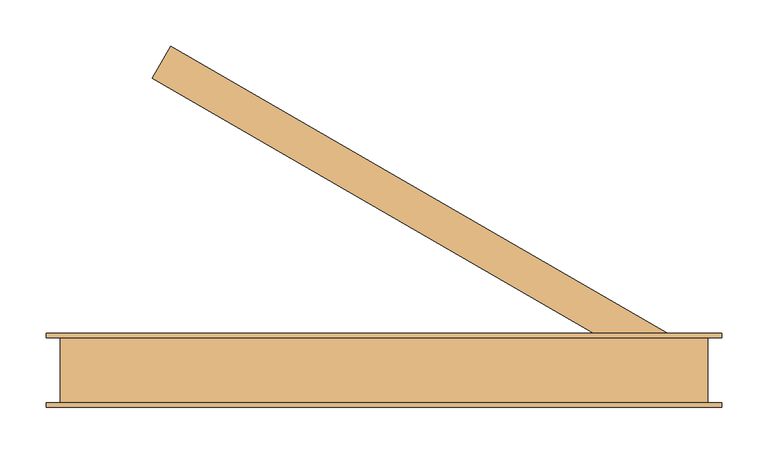
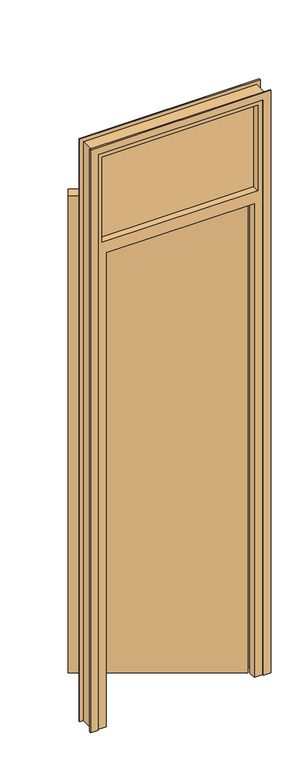
"""IFC4 building model written with IfcOpenShell, lengths in millimetres: door geometry."""

from ifc_helpers import new_model, si_unit, frame, origin, origin_with_axes, place, context, project, spatial, polyline, outline, extrude, faceted_brep, source, transform, mapped, element, save


def door_d862de31(model_context):
    return source(origin(), model_context, "Body", "SolidModel", [
        extrude(outline(polyline([(-285.5960044, 315.3589838), (-265.5960044, 350.0), (280.0, 35.0), (260.0, 0.3589838), (-285.5960044, 315.3589838)])), origin_with_axes(), (0.0, 0.0, 1.0), 2040.0),
        extrude(outline(polyline([(0.0, -370.0), (2460.0, -370.0), (2460.0, 300.0), (0.0, 300.0), (0.0, 330.0), (2490.0, 330.0), (2490.0, -400.0), (0.0, -400.0), (0.0, -370.0)])), frame((0.0, 35.0, 0.0), z_axis=(0.0, 1.0, 0.0), x_axis=(0.0, 0.0, 1.0)), (0.0, 0.0, 1.0), 5.0),
        extrude(outline(polyline([(0.0, -370.0), (2460.0, -370.0), (2460.0, 300.0), (0.0, 300.0), (0.0, 330.0), (2490.0, 330.0), (2490.0, -400.0), (0.0, -400.0), (0.0, -370.0)])), frame((0.0, -40.0, 0.0), z_axis=(0.0, 1.0, 0.0), x_axis=(0.0, 0.0, 1.0)), (0.0, 0.0, 1.0), 5.0),
        extrude(outline(polyline([(280.0, 6.0), (280.0, -6.0), (-350.0, -6.0), (-350.0, 6.0), (280.0, 6.0)])), frame((0.0, 0.0, 2075.0), z_axis=(0.0, 0.0, 1.0), x_axis=(1.0, 0.0, 0.0)), (0.0, 0.0, 1.0), 365.0),
        faceted_brep([(-385.0, 35.0, 0.0), (-350.0, 35.0, 0.0), (-350.0, -5.0, 0.0), (-335.0, -5.0, 0.0), (-335.0, -35.0, 0.0), (-385.0, -35.0, 0.0), (-385.0, -35.0, 2475.0), (-385.0, 35.0, 2475.0), (-335.0, -35.0, 2025.0), (265.0, -35.0, 2025.0), (265.0, -35.0, 0.0), (315.0, -35.0, 0.0), (315.0, -35.0, 2475.0), (-350.0, -35.0, 2075.0), (-350.0, -35.0, 2440.0), (280.0, -35.0, 2440.0), (280.0, -35.0, 2075.0), (-335.0, -5.0, 2025.0), (-350.0, -5.0, 2040.0), (280.0, -5.0, 2040.0), (280.0, -5.0, 0.0), (265.0, -5.0, 0.0), (265.0, -5.0, 2025.0), (-350.0, 35.0, 2040.0), (315.0, 35.0, 2475.0), (315.0, 35.0, 0.0), (280.0, 35.0, 0.0), (280.0, 35.0, 2040.0), (280.0, 35.0, 2075.0), (280.0, 35.0, 2440.0), (-350.0, 35.0, 2440.0), (-350.0, 35.0, 2075.0)], [[[0, 1, 2, 3, 4, 5]], [[5, 6, 7, 0]], [[4, 8, 9, 10, 11, 12, 6, 5], [13, 14, 15, 16]], [[3, 17, 8, 4]], [[2, 18, 19, 20, 21, 22, 17, 3]], [[1, 23, 18, 2]], [[7, 24, 25, 26, 27, 23, 1, 0], [28, 29, 30, 31]], [[11, 25, 24, 12]], [[10, 21, 20, 26, 25, 11]], [[9, 22, 21, 10]], [[19, 27, 26, 20]], [[7, 6, 12, 24]], [[28, 16, 15, 29]], [[29, 15, 14, 30]], [[30, 14, 13, 31]], [[16, 28, 31, 13]], [[8, 17, 22, 9]], [[18, 23, 27, 19]]]),
    ])


if __name__ == "__main__":
    model = new_model("IFC4")
    model_context = context("Model", 3, world=origin())
    ifc_project = project(units=[si_unit("LENGTHUNIT", "METRE", prefix="MILLI")], contexts=[model_context])
    site = spatial("IfcSite", under=ifc_project)
    building = spatial("IfcBuilding", under=site)
    placement = place(None, origin())
    door_shape = door_d862de31(model_context)
    element("IfcDoor", 1, at=placement, inside=building, context=model_context, shape_type="MappedRepresentation", body=[
        mapped(door_shape, transform((0.0, 0.0, 0.0), x_axis=(1.0, 0.0, 0.0), y_axis=(0.0, 1.0, 0.0), z_axis=(0.0, 0.0, 1.0))),
    ])
    save(model, "model.ifc")
